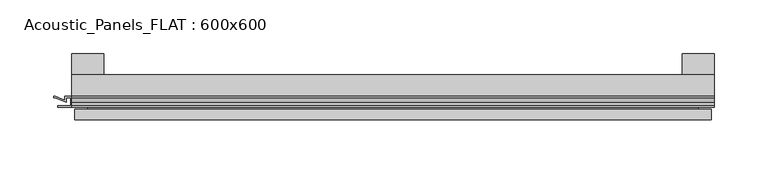
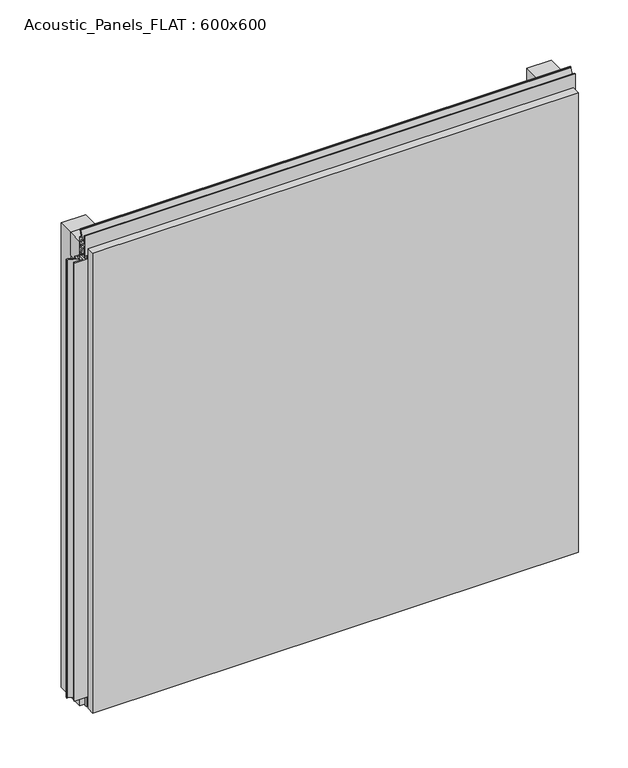
"""IFC4 building model written with IfcOpenShell, lengths in millimetres: plate geometry, Acoustic_Panels_FLAT : 600x600."""

from ifc_helpers import new_model, si_unit, frame, origin, origin_with_axes, place, context, project, spatial, polyline, outline, extrude, faceted_brep, source, transform, mapped, element, save


def acoustic_panels_flat_600x600_c844fc6b(model_context):
    return source(origin(), model_context, "Body", "SolidModel", [
        extrude(outline(polyline([(-300.0, -40.0), (-300.0, -20.0), (300.0, -20.0), (300.0, -40.0), (-300.0, -40.0)])), frame((0.0, 0.0, 570.0), z_axis=(0.0, 0.0, 1.0), x_axis=(1.0, 0.0, 0.0)), (0.0, 0.0, 1.0), 30.0),
        extrude(outline(polyline([(-300.0, -40.0), (-300.0, -20.0), (300.0, -20.0), (300.0, -40.0), (-300.0, -40.0)])), origin_with_axes(), (0.0, 0.0, 1.0), 30.0),
        extrude(outline(polyline([(270.0, 0.0), (300.0, 0.0), (300.0, -20.0), (270.0, -20.0), (270.0, 0.0)])), origin_with_axes(), (0.0, 0.0, 1.0), 600.0),
        extrude(outline(polyline([(-270.0, 0.0), (-270.0, -20.0), (-300.0, -20.0), (-300.0, 0.0), (-270.0, 0.0)])), origin_with_axes(), (0.0, 0.0, 1.0), 600.0),
        extrude(outline(polyline([(-300.899084, -48.7), (-300.899084, -41.4), (-304.899084, -41.4), (-304.899084, -45.5140545), (-315.5703394, -41.4553267), (-316.9558599, -41.4553267), (-316.9558599, -40.0553267), (-315.3558599, -40.0553267), (-306.299084, -43.5), (-306.299084, -40.0), (-293.700916, -40.0), (-293.700916, -43.5), (-284.6441401, -40.0553267), (-283.0441401, -40.0553267), (-283.0441401, -41.4553267), (-284.4296606, -41.4553267), (-295.100916, -45.5140545), (-295.100916, -41.4), (-299.100916, -41.4), (-299.100916, -48.7), (-287.100916, -48.7), (-287.100916, -50.1), (-312.899084, -50.1), (-312.899084, -48.7), (-300.899084, -48.7)])), frame((0.0, 0.0, 16.9558599), z_axis=(0.0, 0.0, 1.0), x_axis=(1.0, 0.0, 0.0)), (0.0, 0.0, 1.0), 566.0882802),
        extrude(outline(polyline([(-48.7, 600.899084), (-41.4, 600.899084), (-41.4, 604.899084), (-45.5140545, 604.899084), (-41.4553267, 615.5703394), (-41.4553267, 616.9558599), (-40.0553267, 616.9558599), (-40.0553267, 615.3558599), (-43.5, 606.299084), (-40.0, 606.299084), (-40.0, 593.700916), (-43.5, 593.700916), (-40.0553267, 584.6441401), (-40.0553267, 583.0441401), (-41.4553267, 583.0441401), (-41.4553267, 584.4296606), (-45.5140545, 595.100916), (-41.4, 595.100916), (-41.4, 599.100916), (-48.7, 599.100916), (-48.7, 587.100916), (-50.1, 587.100916), (-50.1, 612.899084), (-48.7, 612.899084), (-48.7, 600.899084)])), frame((-300.0, 0.0, 0.0), z_axis=(1.0, 0.0, 0.0), x_axis=(0.0, 1.0, 0.0)), (0.0, 0.0, 1.0), 600.0),
        faceted_brep([(297.0, -45.9, 597.0), (-297.0, -45.9, 597.0), (-297.0, -48.7, 597.0), (297.0, -48.7, 597.0), (-297.0, -61.9, 597.0), (297.0, -61.9, 597.0), (297.0, -51.9, 597.0), (-297.0, -51.9, 597.0), (-297.0, -45.9, 3.0), (297.0, -45.9, 3.0), (297.0, -48.7, 3.0), (-297.0, -48.7, 3.0), (297.0, -61.9, 3.0), (-297.0, -61.9, 3.0), (-297.0, -51.9, 3.0), (297.0, -51.9, 3.0), (285.0, -51.9, 585.0), (285.0, -51.9, 15.0), (285.0, -48.7, 15.0), (285.0, -48.7, 585.0), (-285.0, -51.9, 15.0), (-285.0, -48.7, 15.0), (-285.0, -51.9, 585.0), (-285.0, -48.7, 585.0)], [[[0, 1, 2, 3]], [[4, 5, 6, 7]], [[8, 9, 10, 11]], [[12, 13, 14, 15]], [[1, 0, 9, 8]], [[1, 8, 11, 2]], [[13, 4, 7, 14]], [[5, 4, 13, 12]], [[9, 0, 3, 10]], [[5, 12, 15, 6]], [[16, 17, 18, 19]], [[18, 17, 20, 21]], [[21, 20, 22, 23]], [[16, 19, 23, 22]], [[7, 6, 15, 14], [17, 16, 22, 20]], [[3, 2, 11, 10], [19, 18, 21, 23]]]),
    ])


if __name__ == "__main__":
    model = new_model("IFC4")
    model_context = context("Model", 3, world=origin())
    ifc_project = project(units=[si_unit("LENGTHUNIT", "METRE", prefix="MILLI")], contexts=[model_context])
    site = spatial("IfcSite", under=ifc_project)
    building = spatial("IfcBuilding", under=site)
    placement = place(None, origin())
    acoustic_panels_flat_600x600_shape = acoustic_panels_flat_600x600_c844fc6b(model_context)
    element("IfcPlate", 1, ObjectType="Acoustic_Panels_FLAT : 600x600", at=placement, inside=building, context=model_context, shape_type="MappedRepresentation", body=[
        mapped(acoustic_panels_flat_600x600_shape, transform((0.0, 0.0, 0.0), x_axis=(1.0, 0.0, 0.0), y_axis=(0.0, 1.0, 0.0), z_axis=(0.0, 0.0, 1.0))),
    ])
    save(model, "model.ifc")
